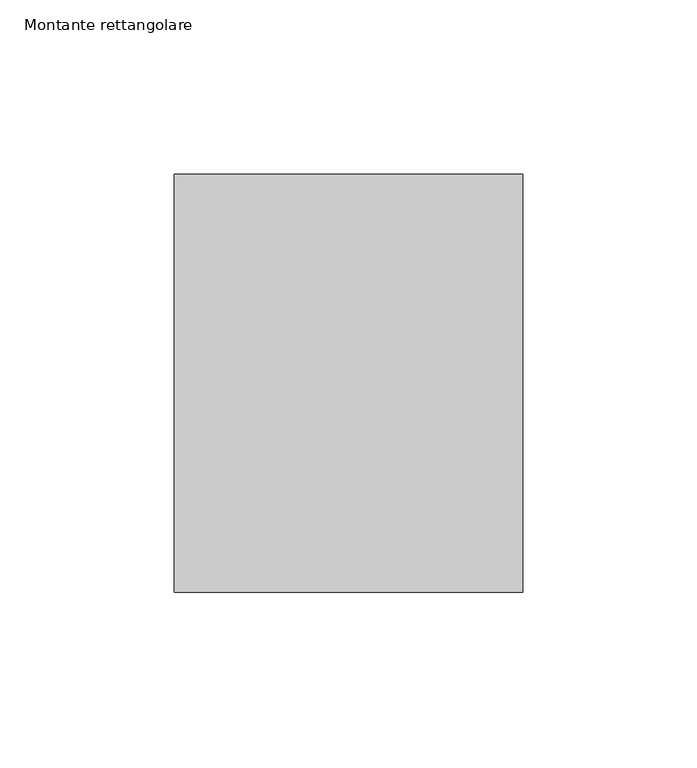
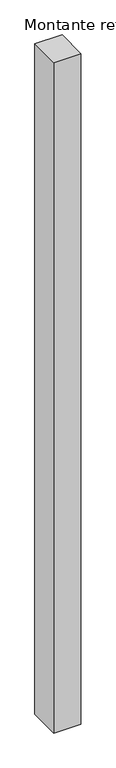
"""IFC4 building model written with IfcOpenShell, lengths in millimetres: member geometry, Montante rettangolare."""

import ifcopenshell
import ifcopenshell.guid

model = None  # the IFC model being written
_history = None  # IfcOwnerHistory: only IFC2X3 demands one
_inside = {}  # id of a spatial element -> (the spatial element, [elements in it])
_under = {}  # id of a project, library or spatial element -> (it, [spatial elements below it])
_declared = {}  # id of a project -> (the project, [libraries it declares])
_typed = {}  # id of a type object -> (the type object, [elements of that type])
_made_of = {}  # id of a material, layer set ... -> (it, [elements and type objects made of it])


def new_model(schema):
    """Start an empty IFC model of exactly this schema.

    Asked for "IFC4X3", IfcOpenShell would pick the latest addendum, in which some entities
    have other attributes; the version numbers below select the first issue.
    IFC2X3 requires an IfcOwnerHistory on every rooted entity: one is made here for all.
    """
    global model, _history
    if schema == "IFC4X3":
        model = ifcopenshell.file(schema_version=(4, 3, 0, 0))
    else:
        model = ifcopenshell.file(schema=schema)
    _inside.clear()
    _under.clear()
    _declared.clear()
    _typed.clear()
    _made_of.clear()
    _history = None
    if model.schema == "IFC2X3":
        org = make("IfcOrganization", Name="unknown")
        user = make(
            "IfcPersonAndOrganization",
            ThePerson=make("IfcPerson", FamilyName="unknown"),
            TheOrganization=org,
        )
        app = make(
            "IfcApplication",
            ApplicationDeveloper=org,
            Version="unknown",
            ApplicationFullName="unknown",
            ApplicationIdentifier="unknown",
        )
        _history = make(
            "IfcOwnerHistory",
            OwningUser=user,
            OwningApplication=app,
            ChangeAction="ADDED",
            CreationDate=0,
        )
    return model


def make(cls, **values):
    """One entity of the class cls with the attributes given. An attribute that is None is left unset."""
    return model.create_entity(
        cls, **{name: value for name, value in values.items() if value is not None}
    )


def rooted(cls, **values):
    """An entity with a GlobalId (a new one), such as an element, a storey or a relation."""
    return make(cls, GlobalId=ifcopenshell.guid.new(), OwnerHistory=_history, **values)


def si_unit(unit_type, name, prefix=None):
    """IfcSIUnit, for example si_unit("LENGTHUNIT", "METRE", prefix="MILLI")."""
    return make("IfcSIUnit", UnitType=unit_type, Prefix=prefix, Name=name)


def assignment(units):
    """IfcUnitAssignment: the units of a project."""
    return None if units is None else make("IfcUnitAssignment", Units=units)


def point(xyz):
    """IfcCartesianPoint."""
    return None if xyz is None else make("IfcCartesianPoint", Coordinates=xyz)


def direction(xyz):
    """IfcDirection."""
    return None if xyz is None else make("IfcDirection", DirectionRatios=xyz)


def frame(location, z_axis=None, x_axis=None):
    """IfcAxis2Placement3D, a coordinate frame: its origin and axes. An axis left out is left unset."""
    return make(
        "IfcAxis2Placement3D",
        Location=point(location),
        Axis=direction(z_axis),
        RefDirection=direction(x_axis),
    )


def origin():
    """The frame at (0, 0, 0) with its axes left unset."""
    return frame((0.0, 0.0, 0.0))


def place(relative_to, where):
    """IfcLocalPlacement: puts the frame where relative to a parent placement (None: the world)."""
    return make(
        "IfcLocalPlacement", PlacementRelTo=relative_to, RelativePlacement=where
    )


def context(
    kind, dimensions, precision=None, world=None, true_north=None, identifier=None
):
    """IfcGeometricRepresentationContext, for example the 3D "Model" context."""
    return make(
        "IfcGeometricRepresentationContext",
        ContextIdentifier=identifier,
        ContextType=kind,
        CoordinateSpaceDimension=dimensions,
        Precision=precision,
        WorldCoordinateSystem=world,
        TrueNorth=true_north,
    )


def project(units=None, contexts=None):
    """IfcProject with its units and contexts."""
    return rooted(
        "IfcProject",
        Name="project",
        RepresentationContexts=contexts,
        UnitsInContext=assignment(units),
    )


def spatial(cls, under=None, at=None, **own):
    """A site, building, storey or space (cls), placed at a placement, below another one or the project."""
    s = rooted(cls, ObjectPlacement=at, **own)
    if under is not None:
        _under.setdefault(under.id(), (under, []))[1].append(s)
    return s


def polyline(points):
    """IfcPolyline through the points."""
    return make("IfcPolyline", Points=[point(p) for p in points])


def outline(outer, holes=None, kind="AREA"):
    """IfcArbitraryClosedProfileDef: a profile drawn as a closed curve; with holes, ...WithVoids."""
    if holes is None:
        return make("IfcArbitraryClosedProfileDef", ProfileType=kind, OuterCurve=outer)
    return make(
        "IfcArbitraryProfileDefWithVoids",
        ProfileType=kind,
        OuterCurve=outer,
        InnerCurves=holes,
    )


def extrude(swept, where, along, depth):
    """IfcExtrudedAreaSolid: the profile swept, set in the frame where, extruded along a direction by depth."""
    return make(
        "IfcExtrudedAreaSolid",
        SweptArea=swept,
        Position=where,
        ExtrudedDirection=direction(along),
        Depth=depth,
    )


def shape(context_of_items, identifier, shape_type, items):
    """IfcShapeRepresentation: the items that make up one representation, for example the "Body"."""
    return make(
        "IfcShapeRepresentation",
        ContextOfItems=context_of_items,
        RepresentationIdentifier=identifier,
        RepresentationType=shape_type,
        Items=items,
    )


def source(mapping_origin, context_of_items, identifier, shape_type, items):
    """IfcRepresentationMap: a shape defined once, which mapped items show again and again."""
    return make(
        "IfcRepresentationMap",
        MappingOrigin=mapping_origin,
        MappedRepresentation=shape(context_of_items, identifier, shape_type, items),
    )


def transform(
    local_origin,
    x_axis=None,
    y_axis=None,
    z_axis=None,
    scale=None,
    scale2=None,
    scale3=None,
    uniform=True,
):
    """IfcCartesianTransformationOperator3D, or its non-uniform kind. x_axis, y_axis, z_axis: its Axis1, 2, 3."""
    if uniform:
        return make(
            "IfcCartesianTransformationOperator3D",
            Axis1=direction(x_axis),
            Axis2=direction(y_axis),
            LocalOrigin=point(local_origin),
            Scale=scale,
            Axis3=direction(z_axis),
        )
    return make(
        "IfcCartesianTransformationOperator3DnonUniform",
        Axis1=direction(x_axis),
        Axis2=direction(y_axis),
        LocalOrigin=point(local_origin),
        Scale=scale,
        Axis3=direction(z_axis),
        Scale2=scale2,
        Scale3=scale3,
    )


def mapped(mapping_source, mapping_target):
    """IfcMappedItem: shows the shape of a source again, moved by a transform."""
    return make(
        "IfcMappedItem", MappingSource=mapping_source, MappingTarget=mapping_target
    )


def made_of(thing, what):
    """Note that an element or type object is made of a material, layer set ...; save() writes the relation."""
    if what is not None:
        _made_of.setdefault(what.id(), (what, []))[1].append(thing)
    return thing


def element(
    cls,
    number,
    at=None,
    inside=None,
    cuts=None,
    type_object=None,
    material=None,
    context=None,
    identifier="Body",
    shape_type=None,
    held_by="IfcProductDefinitionShape",
    body=None,
    shapes=None,
    **own,
):
    """One element of the class cls, such as IfcWall. Its Tag is "e" and its number.

    at: its placement. inside: the storey or other place that contains it. cuts: it is an
    opening in that element (IfcRelVoidsElement). A single representation is given by context,
    identifier, shape_type and body (its items); several are given by shapes. held_by: the class
    of the entity that holds the representations. save() writes the other relations.
    """
    e = rooted(cls, Tag="e%d" % number, ObjectPlacement=at, **own)
    if body is not None:
        shapes = [shape(context, identifier, shape_type, body)]
    if shapes is not None:
        e.Representation = make(held_by, Representations=shapes)
    if inside is not None:
        _inside.setdefault(inside.id(), (inside, []))[1].append(e)
    if cuts is not None:
        rooted(
            "IfcRelVoidsElement", RelatingBuildingElement=cuts, RelatedOpeningElement=e
        )
    if type_object is not None:
        _typed.setdefault(type_object.id(), (type_object, []))[1].append(e)
    return made_of(e, material)


def aggregate(whole, parts):
    """IfcRelAggregates: a whole, such as a stair, and the parts it consists of."""
    return rooted("IfcRelAggregates", RelatingObject=whole, RelatedObjects=parts)


def save(model, path):
    """Write the relations noted so far, then the file.

    IfcRelAggregates (storeys below a building ...), IfcRelContainedInSpatialStructure (elements
    in a storey), IfcRelDefinesByType, IfcRelAssociatesMaterial and IfcRelDeclares: one each for
    every whole, place, type object, material and project.
    """
    for whole, parts in _under.values():
        aggregate(whole, parts)
    for where, things in _inside.values():
        rooted(
            "IfcRelContainedInSpatialStructure",
            RelatedElements=things,
            RelatingStructure=where,
        )
    for kind, things in _typed.values():
        rooted("IfcRelDefinesByType", RelatedObjects=things, RelatingType=kind)
    for what, things in _made_of.values():
        rooted("IfcRelAssociatesMaterial", RelatedObjects=things, RelatingMaterial=what)
    for by, libraries in _declared.values():
        rooted("IfcRelDeclares", RelatingContext=by, RelatedDefinitions=libraries)
    model.write(path)


def montante_rettangolare_da261984(model_context):
    return source(origin(), model_context, "Body", "SweptSolid", [
        extrude(outline(polyline([(50.0, 60.0), (50.0, -60.0), (-50.0, -60.0), (-50.0, 60.0), (50.0, 60.0)])), frame((0.0, 0.0, -2610.0), z_axis=(0.0, 0.0, 1.0), x_axis=(1.0, 0.0, 0.0)), (0.0, 0.0, 1.0), 2610.0),
    ])


if __name__ == "__main__":
    model = new_model("IFC4")
    model_context = context("Model", 3, world=origin())
    ifc_project = project(units=[si_unit("LENGTHUNIT", "METRE", prefix="MILLI")], contexts=[model_context])
    site = spatial("IfcSite", under=ifc_project)
    building = spatial("IfcBuilding", under=site)
    placement = place(None, origin())
    montante_rettangolare_shape = montante_rettangolare_da261984(model_context)
    element("IfcMember", 1, ObjectType="Montante rettangolare", at=placement, inside=building, context=model_context, shape_type="MappedRepresentation", body=[
        mapped(montante_rettangolare_shape, transform((0.0, 0.0, 0.0), x_axis=(1.0, 0.0, 0.0), y_axis=(0.0, 1.0, 0.0), z_axis=(0.0, 0.0, 1.0))),
    ])
    save(model, "model.ifc")
